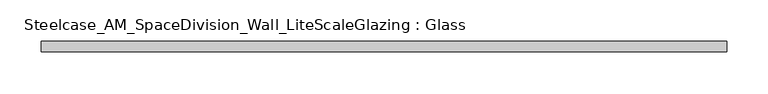
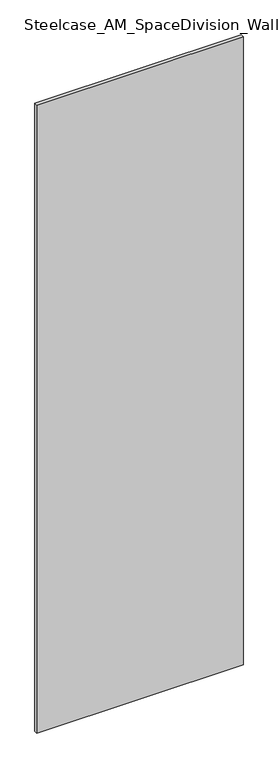
"""IFC4 building model written with IfcOpenShell, lengths in millimetres: plate geometry, Steelcase_AM_SpaceDivision_Wall_LiteScaleGlazing : Glass."""

from ifc_helpers import new_model, si_unit, origin, origin_with_axes, place, context, project, spatial, polyline, outline, extrude, source, transform, mapped, element, save


def steelcase_am_spacedivision_wall_litescaleglazing_glass_8693c941(model_context):
    return source(origin(), model_context, "Body", "SweptSolid", [
        extrude(outline(polyline([(-414.2698495, -6.349956), (-414.2698495, 6.3502015), (414.2698495, 6.3502015), (414.2698495, -6.349956), (-414.2698495, -6.349956)])), origin_with_axes(), (0.0, 0.0, 1.0), 2665.984),
    ])


if __name__ == "__main__":
    model = new_model("IFC4")
    model_context = context("Model", 3, world=origin())
    ifc_project = project(units=[si_unit("LENGTHUNIT", "METRE", prefix="MILLI")], contexts=[model_context])
    site = spatial("IfcSite", under=ifc_project)
    building = spatial("IfcBuilding", under=site)
    placement = place(None, origin())
    steelcase_am_spacedivision_wall_litescaleglazing_glass_shape = steelcase_am_spacedivision_wall_litescaleglazing_glass_8693c941(model_context)
    element("IfcPlate", 1, ObjectType="Steelcase_AM_SpaceDivision_Wall_LiteScaleGlazing : Glass", at=placement, inside=building, context=model_context, shape_type="MappedRepresentation", body=[
        mapped(steelcase_am_spacedivision_wall_litescaleglazing_glass_shape, transform((0.0, 0.0, 0.0), x_axis=(1.0, 0.0, 0.0), y_axis=(0.0, 1.0, 0.0), z_axis=(0.0, 0.0, 1.0))),
    ])
    save(model, "model.ifc")
